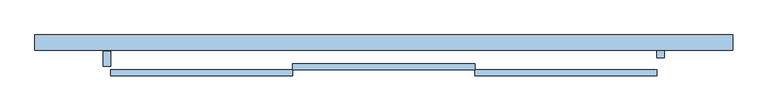
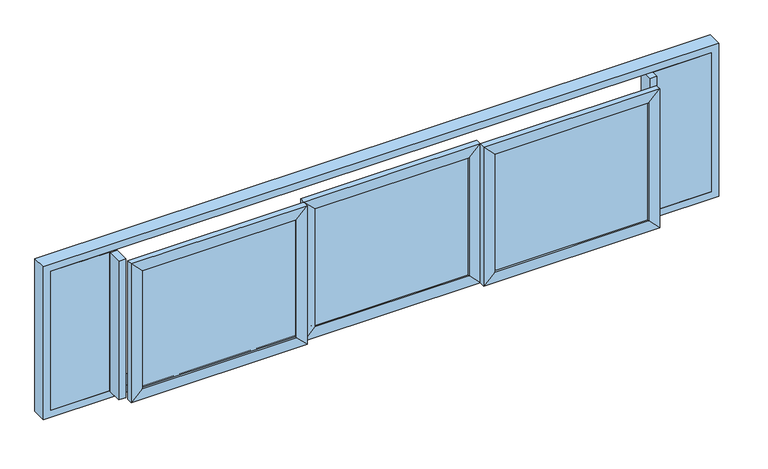
"""IFC4 building model written with IfcOpenShell, lengths in millimetres: window geometry."""

from ifc_helpers import new_model, si_unit, frame, origin, place, context, project, spatial, polyline, outline, extrude, faceted_brep, source, transform, mapped, element, save


def window_9a294eba(model_context):
    return source(origin(), model_context, "Body", "SolidModel", [
        extrude(outline(polyline([(535.0506617, 15.0), (-535.0506617, 15.0), (-535.0506617, 25.0), (535.0506617, 25.0), (535.0506617, 15.0)])), frame((0.0, 0.0, 1264.9493383), z_axis=(0.0, 0.0, 1.0), x_axis=(1.0, 0.0, 0.0)), (0.0, 0.0, 1.0), 870.1013234),
        faceted_brep([(-524.8867497, 17.9844293, 2124.8867497), (-524.8867497, 2.5, 2124.8867497), (-524.8867497, 2.5, 1275.1132503), (-524.8867497, 17.9844293, 1275.1132503), (-559.1666667, 17.9844293, 2159.1666667), (-559.1666667, 17.9844293, 1240.8333333), (-559.1666667, 27.9844293, 2159.1666667), (-559.1666667, 27.9844293, 1240.8333333), (-524.8867497, 27.9844293, 2124.8867497), (-524.8867497, 27.9844293, 1275.1132503), (-535.0506617, 42.5, 2135.0506617), (-535.0506617, 42.5, 1264.9493383), (-600.0, 42.5, 2200.0), (-600.0, 42.5, 1200.0), (-600.0, 2.5, 2200.0), (-600.0, 2.5, 1200.0), (524.8867497, 2.5, 1275.1132503), (524.8867497, 17.9844293, 1275.1132503), (559.1666667, 17.9844293, 1240.8333333), (559.1666667, 27.9844293, 1240.8333333), (524.8867497, 27.9844293, 1275.1132503), (535.0506617, 42.5, 1264.9493383), (600.0, 42.5, 1200.0), (600.0, 2.5, 1200.0), (524.8867497, 2.5, 2124.8867497), (524.8867497, 17.9844293, 2124.8867497), (559.1666667, 17.9844293, 2159.1666667), (559.1666667, 27.9844293, 2159.1666667), (524.8867497, 27.9844293, 2124.8867497), (535.0506617, 42.5, 2135.0506617), (600.0, 42.5, 2200.0), (600.0, 2.5, 2200.0)], [[[0, 1, 2, 3]], [[4, 0, 3, 5]], [[6, 4, 5, 7]], [[8, 6, 7, 9]], [[10, 8, 9, 11]], [[12, 10, 11, 13]], [[14, 12, 13, 15]], [[1, 14, 15, 2]], [[3, 2, 16, 17]], [[5, 3, 17, 18]], [[7, 5, 18, 19]], [[9, 7, 19, 20]], [[11, 9, 20, 21]], [[13, 11, 21, 22]], [[15, 13, 22, 23]], [[2, 15, 23, 16]], [[17, 16, 24, 25]], [[18, 17, 25, 26]], [[19, 18, 26, 27]], [[20, 19, 27, 28]], [[21, 20, 28, 29]], [[22, 21, 29, 30]], [[23, 22, 30, 31]], [[16, 23, 31, 24]], [[25, 24, 1, 0]], [[26, 25, 0, 4]], [[27, 26, 4, 6]], [[28, 27, 6, 8]], [[29, 28, 8, 10]], [[30, 29, 10, 12]], [[31, 30, 12, 14]], [[24, 31, 14, 1]]]),
        extrude(outline(polyline([(-664.9493383, -25.0), (-1735.0506617, -25.0), (-1735.0506617, -15.0), (-664.9493383, -15.0), (-664.9493383, -25.0)])), frame((0.0, 0.0, 1264.9493383), z_axis=(0.0, 0.0, 1.0), x_axis=(1.0, 0.0, 0.0)), (0.0, 0.0, 1.0), 870.1013234),
        faceted_brep([(-1724.8867497, -22.0155707, 2124.8867497), (-1724.8867497, -37.5, 2124.8867497), (-1724.8867497, -37.5, 1275.1132503), (-1724.8867497, -22.0155707, 1275.1132503), (-1759.1666667, -22.0155707, 2159.1666667), (-1759.1666667, -22.0155707, 1240.8333333), (-1759.1666667, -12.0155707, 2159.1666667), (-1759.1666667, -12.0155707, 1240.8333333), (-1724.8867497, -12.0155707, 2124.8867497), (-1724.8867497, -12.0155707, 1275.1132503), (-1735.0506617, 2.5, 2135.0506617), (-1735.0506617, 2.5, 1264.9493383), (-1800.0, 2.5, 2200.0), (-1800.0, 2.5, 1200.0), (-1800.0, -37.5, 2200.0), (-1800.0, -37.5, 1200.0), (-675.1132503, -37.5, 1275.1132503), (-675.1132503, -22.0155707, 1275.1132503), (-640.8333333, -22.0155707, 1240.8333333), (-640.8333333, -12.0155707, 1240.8333333), (-675.1132503, -12.0155707, 1275.1132503), (-664.9493383, 2.5, 1264.9493383), (-600.0, 2.5, 1200.0), (-600.0, -37.5, 1200.0), (-675.1132503, -37.5, 2124.8867497), (-675.1132503, -22.0155707, 2124.8867497), (-640.8333333, -22.0155707, 2159.1666667), (-640.8333333, -12.0155707, 2159.1666667), (-675.1132503, -12.0155707, 2124.8867497), (-664.9493383, 2.5, 2135.0506617), (-600.0, 2.5, 2200.0), (-600.0, -37.5, 2200.0)], [[[0, 1, 2, 3]], [[4, 0, 3, 5]], [[6, 4, 5, 7]], [[8, 6, 7, 9]], [[10, 8, 9, 11]], [[12, 10, 11, 13]], [[14, 12, 13, 15]], [[1, 14, 15, 2]], [[3, 2, 16, 17]], [[5, 3, 17, 18]], [[7, 5, 18, 19]], [[9, 7, 19, 20]], [[11, 9, 20, 21]], [[13, 11, 21, 22]], [[15, 13, 22, 23]], [[2, 15, 23, 16]], [[17, 16, 24, 25]], [[18, 17, 25, 26]], [[19, 18, 26, 27]], [[20, 19, 27, 28]], [[21, 20, 28, 29]], [[22, 21, 29, 30]], [[23, 22, 30, 31]], [[16, 23, 31, 24]], [[25, 24, 1, 0]], [[26, 25, 0, 4]], [[27, 26, 4, 6]], [[28, 27, 6, 8]], [[29, 28, 8, 10]], [[30, 29, 10, 12]], [[31, 30, 12, 14]], [[24, 31, 14, 1]]]),
        extrude(outline(polyline([(1735.0506617, -25.0), (664.9493383, -25.0), (664.9493383, -15.0), (1735.0506617, -15.0), (1735.0506617, -25.0)])), frame((0.0, 0.0, 1264.9493383), z_axis=(0.0, 0.0, 1.0), x_axis=(1.0, 0.0, 0.0)), (0.0, 0.0, 1.0), 870.1013234),
        faceted_brep([(675.1132503, -22.0155707, 2124.8867497), (675.1132503, -37.5, 2124.8867497), (675.1132503, -37.5, 1275.1132503), (675.1132503, -22.0155707, 1275.1132503), (640.8333333, -22.0155707, 2159.1666667), (640.8333333, -22.0155707, 1240.8333333), (640.8333333, -12.0155707, 2159.1666667), (640.8333333, -12.0155707, 1240.8333333), (675.1132503, -12.0155707, 2124.8867497), (675.1132503, -12.0155707, 1275.1132503), (664.9493383, 2.5, 2135.0506617), (664.9493383, 2.5, 1264.9493383), (600.0, 2.5, 2200.0), (600.0, 2.5, 1200.0), (600.0, -37.5, 2200.0), (600.0, -37.5, 1200.0), (1724.8867497, -37.5, 1275.1132503), (1724.8867497, -22.0155707, 1275.1132503), (1759.1666667, -22.0155707, 1240.8333333), (1759.1666667, -12.0155707, 1240.8333333), (1724.8867497, -12.0155707, 1275.1132503), (1735.0506617, 2.5, 1264.9493383), (1800.0, 2.5, 1200.0), (1800.0, -37.5, 1200.0), (1724.8867497, -37.5, 2124.8867497), (1724.8867497, -22.0155707, 2124.8867497), (1759.1666667, -22.0155707, 2159.1666667), (1759.1666667, -12.0155707, 2159.1666667), (1724.8867497, -12.0155707, 2124.8867497), (1735.0506617, 2.5, 2135.0506617), (1800.0, 2.5, 2200.0), (1800.0, -37.5, 2200.0)], [[[0, 1, 2, 3]], [[4, 0, 3, 5]], [[6, 4, 5, 7]], [[8, 6, 7, 9]], [[10, 8, 9, 11]], [[12, 10, 11, 13]], [[14, 12, 13, 15]], [[1, 14, 15, 2]], [[3, 2, 16, 17]], [[5, 3, 17, 18]], [[7, 5, 18, 19]], [[9, 7, 19, 20]], [[11, 9, 20, 21]], [[13, 11, 21, 22]], [[15, 13, 22, 23]], [[2, 15, 23, 16]], [[17, 16, 24, 25]], [[18, 17, 25, 26]], [[19, 18, 26, 27]], [[20, 19, 27, 28]], [[21, 20, 28, 29]], [[22, 21, 29, 30]], [[23, 22, 30, 31]], [[16, 23, 31, 24]], [[25, 24, 1, 0]], [[26, 25, 0, 4]], [[27, 26, 4, 6]], [[28, 27, 6, 8]], [[29, 28, 8, 10]], [[30, 29, 10, 12]], [[31, 30, 12, 14]], [[24, 31, 14, 1]]]),
        extrude(outline(polyline([(2250.0, 132.5), (1850.0, 132.5), (1850.0, 137.5), (2250.0, 137.5), (2250.0, 132.5)])), frame((0.0, 0.0, 1200.0), z_axis=(0.0, 0.0, 1.0), x_axis=(1.0, 0.0, 0.0)), (0.0, 0.0, 1.0), 1000.0),
        extrude(outline(polyline([(-1850.0, 132.5), (-2250.0, 132.5), (-2250.0, 137.5), (-1850.0, 137.5), (-1850.0, 132.5)])), frame((0.0, 0.0, 1200.0), z_axis=(0.0, 0.0, 1.0), x_axis=(1.0, 0.0, 0.0)), (0.0, 0.0, 1.0), 1000.0),
        extrude(outline(polyline([(-1800.0, 25.0), (-1850.0, 25.0), (-1850.0, 125.0), (-1800.0, 125.0), (-1800.0, 25.0)])), frame((0.0, 0.0, 1200.0), z_axis=(0.0, 0.0, 1.0), x_axis=(1.0, 0.0, 0.0)), (0.0, 0.0, 1.0), 1000.0),
        extrude(outline(polyline([(1850.0, 82.5), (1800.0, 82.5), (1800.0, 182.5), (1850.0, 182.5), (1850.0, 82.5)])), frame((0.0, 0.0, 1200.0), z_axis=(0.0, 0.0, 1.0), x_axis=(1.0, 0.0, 0.0)), (0.0, 0.0, 1.0), 1000.0),
        extrude(outline(polyline([(2250.0, -2300.0), (1150.0, -2300.0), (1150.0, 2300.0), (2250.0, 2300.0), (2250.0, -2300.0)]), holes=[polyline([(2200.0, -2250.0), (2200.0, 2250.0), (1200.0, 2250.0), (1200.0, -2250.0), (2200.0, -2250.0)])]), frame((0.0, 132.5, 0.0), z_axis=(0.0, 1.0, 0.0), x_axis=(0.0, 0.0, 1.0)), (0.0, 0.0, 1.0), 100.0),
    ])


if __name__ == "__main__":
    model = new_model("IFC4")
    model_context = context("Model", 3, world=origin())
    ifc_project = project(units=[si_unit("LENGTHUNIT", "METRE", prefix="MILLI")], contexts=[model_context])
    site = spatial("IfcSite", under=ifc_project)
    building = spatial("IfcBuilding", under=site)
    placement = place(None, origin())
    window_shape = window_9a294eba(model_context)
    element("IfcWindow", 1, at=placement, inside=building, context=model_context, shape_type="MappedRepresentation", body=[
        mapped(window_shape, transform((0.0, 0.0, 0.0), x_axis=(1.0, 0.0, 0.0), y_axis=(0.0, 1.0, 0.0), z_axis=(0.0, 0.0, 1.0))),
    ])
    save(model, "model.ifc")
